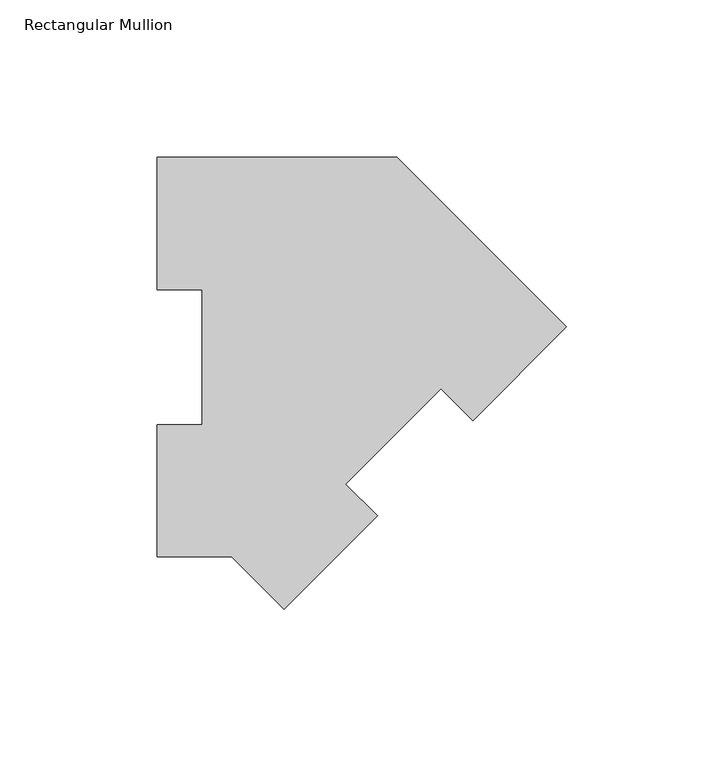
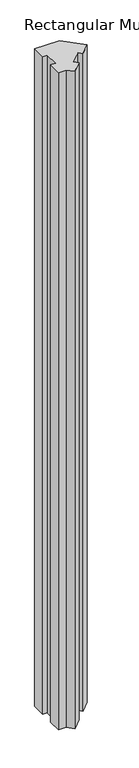
"""IFC4 building model written with IfcOpenShell, lengths in millimetres: member geometry, Rectangular Mullion."""

from ifc_helpers import new_model, si_unit, frame, origin, place, context, project, spatial, polyline, outline, extrude, source, transform, mapped, element, save


def rectangular_mullion_071e91f6(model_context):
    return source(origin(), model_context, "Body", "SweptSolid", [
        extrude(outline(polyline([(-130.0815367, 127.00635), (-53.8815367, 127.00635), (0.0, 73.1248133), (-29.7515885, 43.3732247), (-39.8543767, 53.4760129), (-70.1537608, 23.1766287), (-60.0509727, 13.0738406), (-89.8025612, -16.6777479), (-106.4866592, 0.00635), (-130.0815367, 0.00635), (-130.0815367, 42.08145), (-115.7940367, 42.08145), (-115.7940367, 84.93125), (-130.0815367, 84.93125), (-130.0815367, 127.00635)])), frame((0.0, 0.0, -2133.6), z_axis=(0.0, 0.0, 1.0), x_axis=(1.0, 0.0, 0.0)), (0.0, 0.0, 1.0), 2133.6),
    ])


if __name__ == "__main__":
    model = new_model("IFC4")
    model_context = context("Model", 3, world=origin())
    ifc_project = project(units=[si_unit("LENGTHUNIT", "METRE", prefix="MILLI")], contexts=[model_context])
    site = spatial("IfcSite", under=ifc_project)
    building = spatial("IfcBuilding", under=site)
    placement = place(None, origin())
    rectangular_mullion_shape = rectangular_mullion_071e91f6(model_context)
    element("IfcMember", 1, ObjectType="Rectangular Mullion", at=placement, inside=building, context=model_context, shape_type="MappedRepresentation", body=[
        mapped(rectangular_mullion_shape, transform((0.0, 0.0, 0.0), x_axis=(1.0, 0.0, 0.0), y_axis=(0.0, 1.0, 0.0), z_axis=(0.0, 0.0, 1.0))),
    ])
    save(model, "model.ifc")
